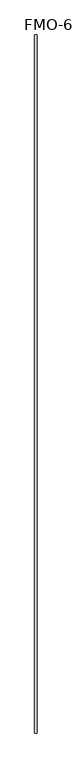
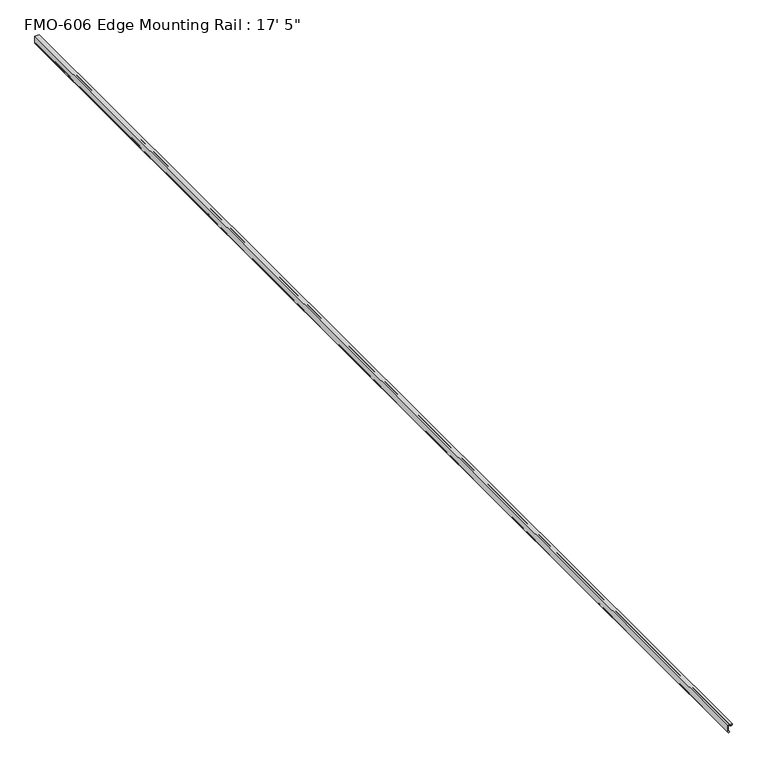
"""IFC4 building model written with IfcOpenShell, lengths in millimetres: proxy geometry."""

from ifc_helpers import new_model, si_unit, point, frame, frame_2d, origin, place, context, project, spatial, polyline, circle_curve, trimmed, segment, composite_curve, outline, extrude, source, transform, mapped, element, save


def proxy_1553cc89(model_context):
    return source(origin(), model_context, "Body", "SweptSolid", [
        extrude(outline(composite_curve([segment(polyline([(48.6176322, 35.9236997), (48.6176322, 37.2312618)]), True, "CONTINUOUS"), segment(trimmed(circle_curve(frame_2d((47.0301322, 37.2312618)), 1.5875), [point((48.6176322, 37.2312618))], [point((47.0301322, 38.8187618))], True, "CARTESIAN"), True, "CONTINUOUS"), segment(polyline([(47.0301322, 38.8187618), (45.4574179, 38.8187618)]), True, "CONTINUOUS"), segment(trimmed(circle_curve(frame_2d((45.3336793, 39.2059792)), 0.4065077), [point((45.4574179, 38.8187618))], [point((45.0751662, 39.5196981))], False, "CARTESIAN"), True, "CONTINUOUS"), segment(polyline([(45.0751662, 39.5196981), (45.6413154, 41.3336309)]), True, "CONTINUOUS"), segment(trimmed(circle_curve(frame_2d((48.550892, 40.4255188)), 3.048), [point((45.6413154, 41.3336309))], [point((46.963392, 43.0274696))], False, "CARTESIAN"), True, "CONTINUOUS"), segment(trimmed(circle_curve(frame_2d((48.550892, 40.4255188)), 3.048), [point((46.963392, 43.0274696))], [point((51.4604687, 41.3336309))], False, "CARTESIAN"), True, "CONTINUOUS"), segment(polyline([(51.4604687, 41.3336309), (52.0728086, 39.3717038)]), True, "CONTINUOUS"), segment(trimmed(circle_curve(frame_2d((51.7314825, 39.1572577)), 0.4031012), [point((52.0728086, 39.3717038))], [point((51.5637963, 38.7906899))], False, "CARTESIAN"), True, "CONTINUOUS"), segment(polyline([(51.5637963, 38.7906899), (50.7457603, 38.6978589)]), True, "CONTINUOUS"), segment(trimmed(circle_curve(frame_2d((51.1576322, 38.0567618)), 0.762), [point((50.7457603, 38.6978589))], [point((50.3959129, 38.036083))], True, "CARTESIAN"), True, "CONTINUOUS"), segment(trimmed(circle_curve(frame_2d((50.9036322, 38.0191997)), 0.508), [point((50.3959129, 38.036083))], [point((50.9036322, 37.5111997))], True, "CARTESIAN"), True, "CONTINUOUS"), segment(polyline([(50.9036322, 37.5111997), (55.0841934, 37.4984997), (55.7538908, 37.0800263), (56.7754428, 37.0800263), (57.4451402, 37.4984997), (78.870502, 37.4984997)]), True, "CONTINUOUS"), segment(trimmed(circle_curve(frame_2d((78.870502, 39.0859997)), 1.5875), [point((78.870502, 37.4984997))], [point((80.458002, 39.0859997))], True, "CARTESIAN"), True, "CONTINUOUS"), segment(polyline([(80.458002, 39.0859997), (80.458002, 43.2261997)]), True, "CONTINUOUS"), segment(trimmed(circle_curve(frame_2d((78.870502, 43.2261997)), 1.5875), [point((80.458002, 43.2261997))], [point((78.870502, 44.8136997))], True, "CARTESIAN"), True, "CONTINUOUS"), segment(polyline([(78.870502, 44.8136997), (76.343202, 44.8136997), (76.343202, 48.0013997)]), True, "CONTINUOUS"), segment(trimmed(circle_curve(frame_2d((76.343202, 49.5761997)), 1.5748), [point((76.343202, 48.0013997))], [point((76.343202, 51.1509997))], False, "CARTESIAN"), True, "CONTINUOUS"), segment(polyline([(76.343202, 51.1509997), (76.343202, 54.9736997), (77.918002, 54.9736997), (77.6804202, 54.1966046), (77.9009523, 53.4275178), (77.6722723, 52.6795393), (77.935601, 51.9147774), (77.6710038, 51.1463315), (77.9266166, 50.4039781), (77.6615406, 49.6341415), (77.9209183, 48.880854), (77.6587932, 48.1195874), (77.9184396, 47.2703222), (77.6633884, 46.5295997), (80.8121702, 46.5295997), (80.4520495, 47.2363764), (80.7141746, 47.9976431), (80.454797, 48.7509306), (80.719873, 49.5207671), (80.4642602, 50.2631205), (80.7288573, 51.0315664), (80.4655286, 51.7963284), (80.6942086, 52.5443068), (80.4736765, 53.3133936), (80.7112583, 54.0904887), (80.4580017, 54.9736997), (82.032802, 54.9736997), (82.032802, 35.9236997), (48.6176322, 35.9236997)]), True, "CONTINUOUS")], self_intersect=False)), frame((0.0, -5233.3500904, 0.0), z_axis=(0.0, 1.0, 0.0), x_axis=(0.0, 0.0, 1.0)), (0.0, 0.0, 1.0), 5308.6),
    ])


if __name__ == "__main__":
    model = new_model("IFC4")
    model_context = context("Model", 3, world=origin())
    ifc_project = project(units=[si_unit("LENGTHUNIT", "METRE", prefix="MILLI")], contexts=[model_context])
    site = spatial("IfcSite", under=ifc_project)
    building = spatial("IfcBuilding", under=site)
    placement = place(None, origin())
    proxy_shape = proxy_1553cc89(model_context)
    element("IfcBuildingElementProxy", 1, Name="FMO-606 Edge Mounting Rail : 17' 5\"", ObjectType="FMO-606 Edge Mounting Rail : 17' 5\"", at=placement, inside=building, context=model_context, shape_type="MappedRepresentation", body=[
        mapped(proxy_shape, transform((0.0, 0.0, 0.0), x_axis=(1.0, 0.0, 0.0), y_axis=(0.0, 1.0, 0.0), z_axis=(0.0, 0.0, 1.0))),
    ])
    save(model, "model.ifc")
